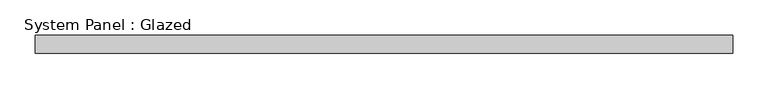
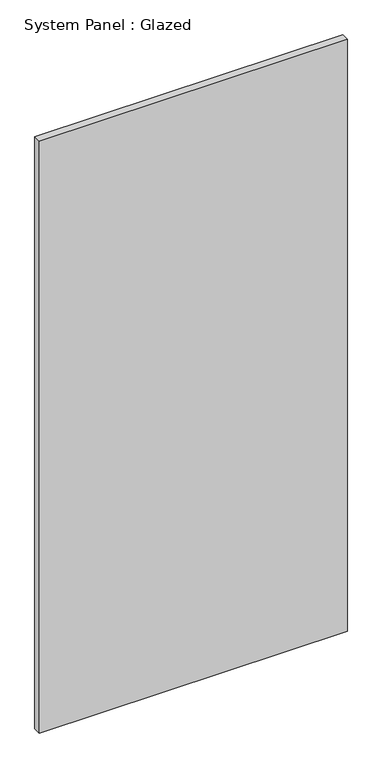
"""IFC4 building model written with IfcOpenShell, lengths in millimetres: plate geometry, System Panel : Glazed."""

from ifc_helpers import new_model, si_unit, origin, origin_with_axes, place, context, project, spatial, polyline, outline, extrude, source, transform, mapped, element, save


def system_panel_glazed_895d25ab(model_context):
    return source(origin(), model_context, "Body", "SweptSolid", [
        extrude(outline(polyline([(492.5702919, 24.5), (-492.5702919, 24.5), (-492.5702919, 49.5), (492.5702919, 49.5), (492.5702919, 24.5)])), origin_with_axes(), (0.0, 0.0, 1.0), 2000.0),
    ])


if __name__ == "__main__":
    model = new_model("IFC4")
    model_context = context("Model", 3, world=origin())
    ifc_project = project(units=[si_unit("LENGTHUNIT", "METRE", prefix="MILLI")], contexts=[model_context])
    site = spatial("IfcSite", under=ifc_project)
    building = spatial("IfcBuilding", under=site)
    placement = place(None, origin())
    system_panel_glazed_shape = system_panel_glazed_895d25ab(model_context)
    element("IfcPlate", 1, ObjectType="System Panel : Glazed", at=placement, inside=building, context=model_context, shape_type="MappedRepresentation", body=[
        mapped(system_panel_glazed_shape, transform((0.0, 0.0, 0.0), x_axis=(1.0, 0.0, 0.0), y_axis=(0.0, 1.0, 0.0), z_axis=(0.0, 0.0, 1.0))),
    ])
    save(model, "model.ifc")
